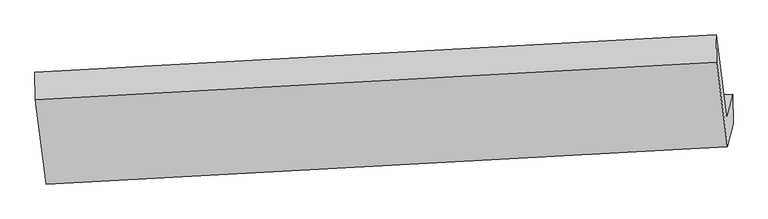
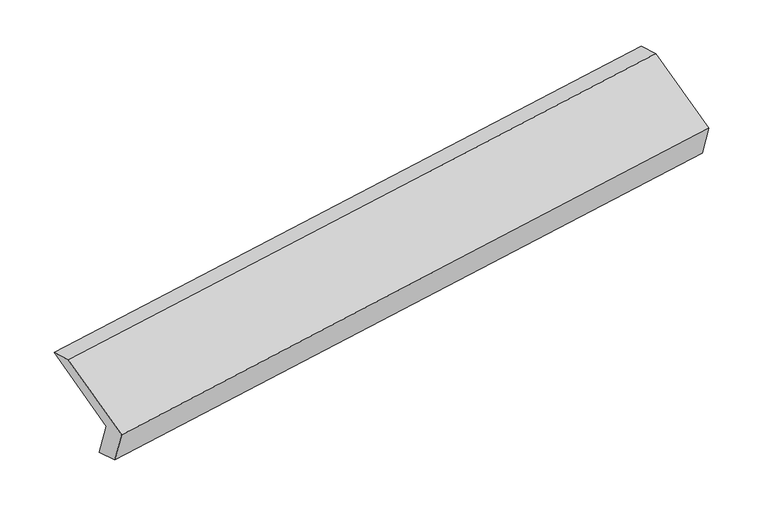
"""IFC4 building model written with IfcOpenShell, lengths in millimetres: proxy geometry."""

from ifc_helpers import new_model, si_unit, frame, origin, place, context, project, spatial, polyline, outline, extrude, source, transform, mapped, element, save


def generic_models_40f446d1(model_context):
    return source(origin(), model_context, "Body", "SweptSolid", [
        extrude(outline(polyline([(-59.5628362, -146.457426), (333.0911155, -146.457426), (177.1141535, -310.6526533), (-195.5397983, -310.6526533), (-195.5397983, 380.0124657), (-59.5628362, 534.207693), (-59.5628362, -146.457426)])), frame((-5344.2979375, -1641.8554739, 1551.2368518), z_axis=(0.9872851665800696, 0.054123716086087355, 0.14946110934954673), x_axis=(0.10976077393028752, 0.4479984063217634, -0.8872710974890282)), (0.0, 0.0, 1.0), 5030.5195664),
    ])


if __name__ == "__main__":
    model = new_model("IFC4")
    model_context = context("Model", 3, world=origin())
    ifc_project = project(units=[si_unit("LENGTHUNIT", "METRE", prefix="MILLI")], contexts=[model_context])
    site = spatial("IfcSite", under=ifc_project)
    building = spatial("IfcBuilding", under=site)
    placement = place(None, origin())
    generic_models_shape = generic_models_40f446d1(model_context)
    element("IfcBuildingElementProxy", 1, Name="Generic Models", at=placement, inside=building, context=model_context, shape_type="MappedRepresentation", body=[
        mapped(generic_models_shape, transform((0.0, 0.0, 0.0), x_axis=(1.0, 0.0, 0.0), y_axis=(0.0, 1.0, 0.0), z_axis=(0.0, 0.0, 1.0))),
    ])
    save(model, "model.ifc")
